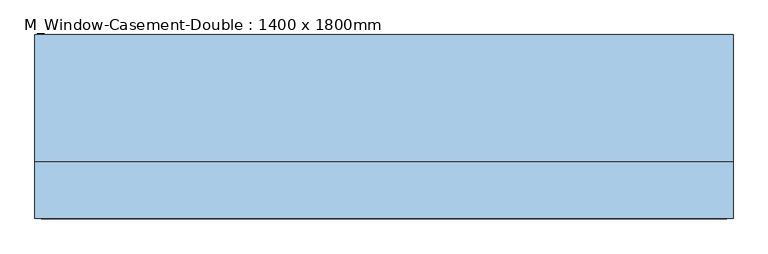
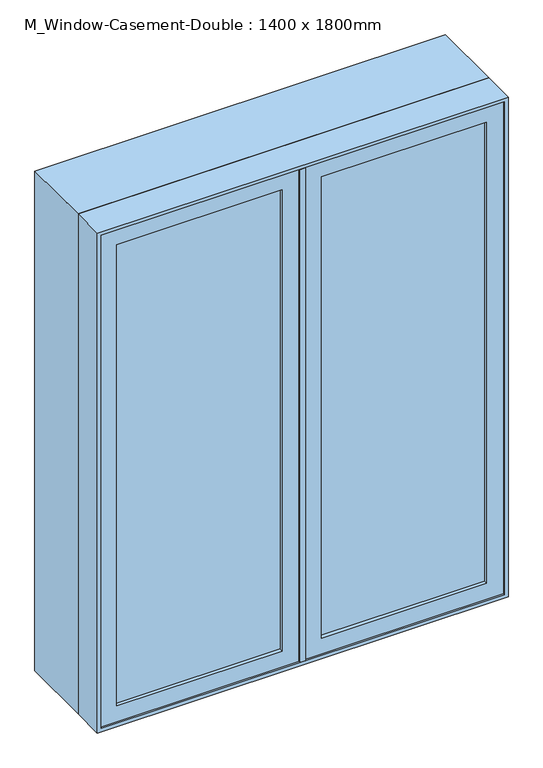
"""IFC4 building model written with IfcOpenShell, lengths in millimetres: window geometry, M_Window-Casement-Double : 1400 x 1800mm."""

from ifc_helpers import new_model, si_unit, frame, origin, place, context, project, spatial, polyline, outline, extrude, faceted_brep, source, transform, mapped, element, save


def m_window_casement_double_1400_x_1800mm_ab7537b0(model_context):
    return source(origin(), model_context, "Body", "SolidModel", [
        faceted_brep([(9.525, -194.05, 2687.3), (9.525, -143.25, 2687.3), (-9.525, -143.25, 2687.3), (-9.525, -194.05, 2687.3), (9.525, -194.05, 912.7), (-9.525, -194.05, 912.7), (-9.525, -143.25, 912.7), (9.525, -143.25, 912.7), (-9.525, -143.25, 2668.25), (-9.525, -143.25, 931.75), (-30.1625, -143.25, 2668.25), (-30.1625, -143.25, 931.75), (-30.1625, -79.75, 2668.25), (-30.1625, -79.75, 931.75), (30.1625, -79.75, 2668.25), (30.1625, -79.75, 931.75), (30.1625, -143.25, 2668.25), (30.1625, -143.25, 931.75), (9.525, -143.25, 2668.25), (9.525, -143.25, 931.75)], [[[0, 1, 2, 3]], [[4, 5, 6, 7]], [[3, 5, 4, 0]], [[2, 8, 9, 6, 5, 3]], [[8, 10, 11, 9]], [[10, 12, 13, 11]], [[12, 14, 15, 13]], [[14, 16, 17, 15]], [[16, 18, 19, 17]], [[0, 4, 7, 19, 18, 1]], [[8, 2, 1, 18]], [[19, 7, 6, 9]], [[9, 11, 13, 15, 17, 19]], [[18, 16, 14, 12, 10, 8]]]),
        extrude(outline(polyline([(-66.675, -175.0), (-630.15, -175.0), (-630.15, -168.65), (-66.675, -168.65), (-66.675, -175.0)])), frame((0.0, 0.0, 969.85), z_axis=(0.0, 0.0, 1.0), x_axis=(1.0, 0.0, 0.0)), (0.0, 0.0, 1.0), 1660.3),
        extrude(outline(polyline([(-630.15, -155.95), (-66.675, -155.95), (-66.675, -162.3), (-630.15, -162.3), (-630.15, -155.95)])), frame((0.0, 0.0, 969.85), z_axis=(0.0, 0.0, 1.0), x_axis=(1.0, 0.0, 0.0)), (0.0, 0.0, 1.0), 1660.3),
        extrude(outline(polyline([(630.15, -175.0), (66.675, -175.0), (66.675, -168.65), (630.15, -168.65), (630.15, -175.0)])), frame((0.0, 0.0, 969.85), z_axis=(0.0, 0.0, 1.0), x_axis=(1.0, 0.0, 0.0)), (0.0, 0.0, 1.0), 1660.3),
        extrude(outline(polyline([(66.675, -155.95), (630.15, -155.95), (630.15, -162.3), (66.675, -162.3), (66.675, -155.95)])), frame((0.0, 0.0, 969.85), z_axis=(0.0, 0.0, 1.0), x_axis=(1.0, 0.0, 0.0)), (0.0, 0.0, 1.0), 1660.3),
        extrude(outline(polyline([(2687.3, -9.525), (2687.3, -687.3), (912.7, -687.3), (912.7, -9.525), (2687.3, -9.525)]), holes=[polyline([(2630.15, -630.15), (2630.15, -66.675), (969.85, -66.675), (969.85, -630.15), (2630.15, -630.15)])]), frame((0.0, -187.7, 0.0), z_axis=(0.0, 1.0, 0.0), x_axis=(0.0, 0.0, 1.0)), (0.0, 0.0, 1.0), 44.45),
        extrude(outline(polyline([(912.7, 9.525), (912.7, 687.3), (2687.3, 687.3), (2687.3, 9.525), (912.7, 9.525)]), holes=[polyline([(969.85, 630.15), (969.85, 66.675), (2630.15, 66.675), (2630.15, 630.15), (969.85, 630.15)])]), frame((0.0, -187.7, 0.0), z_axis=(0.0, 1.0, 0.0), x_axis=(0.0, 0.0, 1.0)), (0.0, 0.0, 1.0), 44.45),
        extrude(outline(polyline([(2700.0, -700.0), (900.0, -700.0), (900.0, 700.0), (2700.0, 700.0), (2700.0, -700.0)]), holes=[polyline([(2680.95, 680.95), (919.05, 680.95), (919.05, -680.95), (2680.95, -680.95), (2680.95, 680.95)])]), frame((0.0, -79.75, 0.0), z_axis=(0.0, 1.0, 0.0), x_axis=(0.0, 0.0, 1.0)), (0.0, 0.0, 1.0), 254.75),
        faceted_brep([(668.25, -143.25, 2668.25), (-668.25, -143.25, 2668.25), (-668.25, -79.75, 2668.25), (668.25, -79.75, 2668.25), (687.3, -194.05, 2687.3), (-687.3, -194.05, 2687.3), (-687.3, -143.25, 2687.3), (687.3, -143.25, 2687.3), (700.0, -79.75, 2700.0), (-700.0, -79.75, 2700.0), (-700.0, -194.05, 2700.0), (700.0, -194.05, 2700.0), (-668.25, -143.25, 931.75), (-668.25, -79.75, 931.75), (-687.3, -194.05, 912.7), (-687.3, -143.25, 912.7), (-700.0, -79.75, 900.0), (-700.0, -194.05, 900.0), (668.25, -143.25, 931.75), (668.25, -79.75, 931.75), (687.3, -194.05, 912.7), (687.3, -143.25, 912.7), (700.0, -79.75, 900.0), (700.0, -194.05, 900.0)], [[[0, 1, 2, 3]], [[4, 5, 6, 7]], [[8, 9, 10, 11]], [[1, 12, 13, 2]], [[5, 14, 15, 6]], [[9, 16, 17, 10]], [[12, 18, 19, 13]], [[14, 20, 21, 15]], [[16, 22, 23, 17]], [[9, 8, 22, 16], [3, 2, 13, 19]], [[18, 0, 3, 19]], [[7, 6, 15, 21], [1, 0, 18, 12]], [[20, 4, 7, 21]], [[22, 8, 11, 23]], [[11, 10, 17, 23], [5, 4, 20, 14]]]),
    ])


if __name__ == "__main__":
    model = new_model("IFC4")
    model_context = context("Model", 3, world=origin())
    ifc_project = project(units=[si_unit("LENGTHUNIT", "METRE", prefix="MILLI")], contexts=[model_context])
    site = spatial("IfcSite", under=ifc_project)
    building = spatial("IfcBuilding", under=site)
    placement = place(None, origin())
    m_window_casement_double_1400_x_1800mm_shape = m_window_casement_double_1400_x_1800mm_ab7537b0(model_context)
    element("IfcWindow", 1, ObjectType="M_Window-Casement-Double : 1400 x 1800mm", at=placement, inside=building, context=model_context, shape_type="MappedRepresentation", body=[
        mapped(m_window_casement_double_1400_x_1800mm_shape, transform((0.0, 0.0, 0.0), x_axis=(1.0, 0.0, 0.0), y_axis=(0.0, 1.0, 0.0), z_axis=(0.0, 0.0, 1.0))),
    ])
    save(model, "model.ifc")
